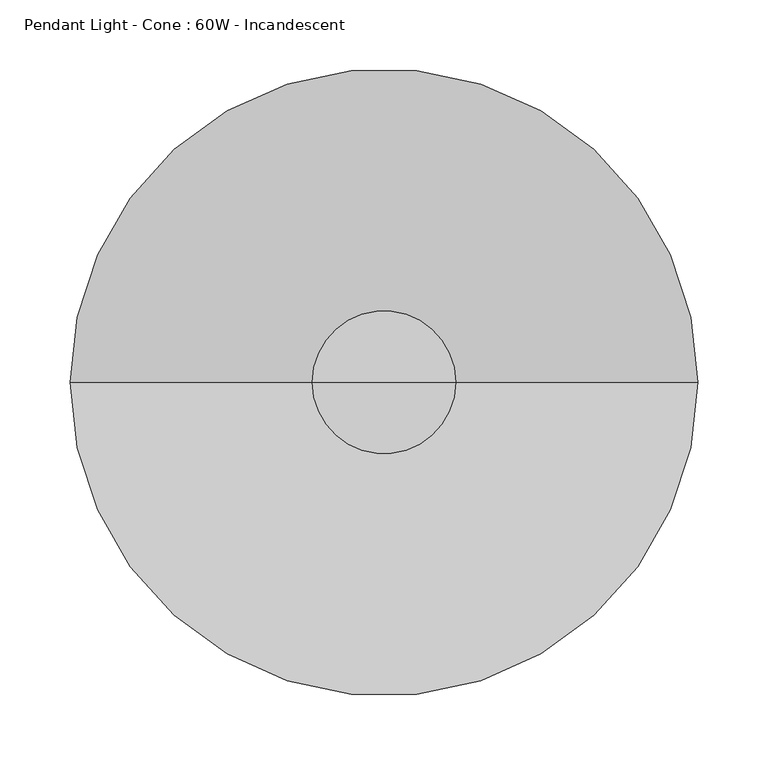
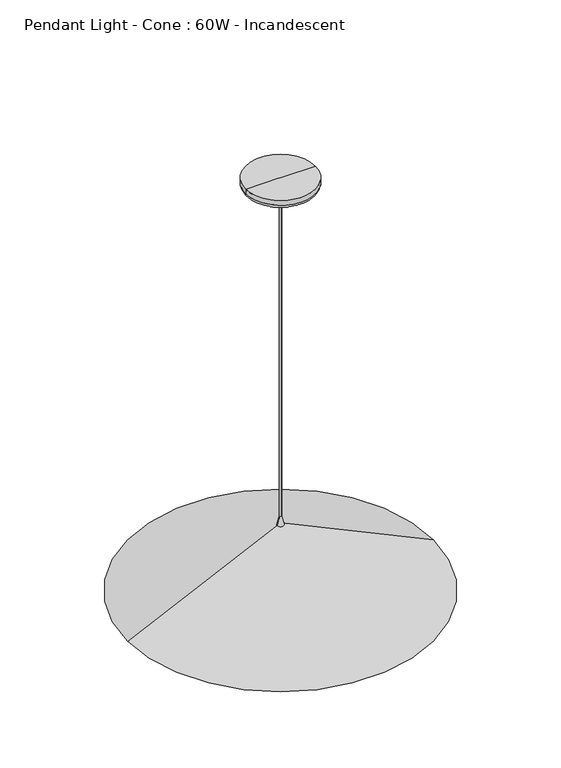
"""IFC4 building model written with IfcOpenShell, lengths in millimetres: light fixture geometry, Pendant Light - Cone : 60W - Incandescent."""

from ifc_helpers import new_model, si_unit, point, frame, origin, place, context, project, spatial, polyline, circle_curve, ellipse_curve, trimmed, source, transform, mapped, element, save
from ifc_brep_helpers import plane_surface, cylinder_surface, revolved_surface, advanced_brep


def pendant_light_cone_60w_incandescent_3ea59d25(model_context):
    return source(origin(), model_context, "Body", "AdvancedBrep", [
        advanced_brep(
        [(4.8667098, 0.0, -533.3999938), (-4.8667098, 0.0, -533.3999938), (-1.463755, 0.0, -520.6999938), (1.463755, 0.0, -520.6999938), (0.0, 0.0, -533.3999938), (0.0, 0.0, -520.6999938)],
        [
            (0, 1, circle_curve(frame((0.0, 0.0, -533.3999938), z_axis=(0.0, 0.0, 1.0), x_axis=(-1.0, 0.0, 0.0)), 4.8667098)),
            (1, 2),
            (2, 3, circle_curve(frame((0.0, 0.0, -520.6999938), z_axis=(0.0, 0.0, -1.0), x_axis=(-1.0, 0.0, 0.0)), 1.463755)),
            (3, 0),
            (1, 0, circle_curve(frame((0.0, 0.0, -533.3999938), z_axis=(0.0, 0.0, 1.0), x_axis=(-1.0, 0.0, 0.0)), 4.8667098)),
            (3, 2, circle_curve(frame((0.0, 0.0, -520.6999938), z_axis=(0.0, 0.0, -1.0), x_axis=(-1.0, 0.0, 0.0)), 1.463755)),
            (4, 1),
            (0, 4),
            (2, 5),
            (5, 3),
        ],
        [
            revolved_surface(polyline([(-1.463755, 0.0, -520.6999938), (-4.8667098, 0.0, -533.3999938)]), (0.0, 0.0, -546.0999938), (0.0, 0.0, -1.0)),
            plane_surface(frame((0.0, 0.0, -533.3999938), z_axis=(0.0, 0.0, -1.0), x_axis=(-1.0, 0.0, 0.0))),
            plane_surface(frame((0.0, 0.0, -520.6999938), z_axis=(0.0, 0.0, 1.0), x_axis=(-1.0, 0.0, 0.0))),
        ],
        [
            (0, [[1, 2, 3, 4]]),
            (0, [[5, -4, 6, -2]]),
            (1, [[7, -1, 8]]),
            (1, [[-8, -5, -7]]),
            (2, [[-3, 9, 10]]),
            (2, [[-6, -10, -9]]),
        ],
    ),
        advanced_brep(
        [(0.8577769, 0.0, -531.5285871), (-0.8577769, 0.0, -531.5285871), (-0.0530894, 0.0, -531.5285871), (0.0530894, 0.0, -531.5285871), (222.514534, 0.0, -634.9999938), (-222.514534, 0.0, -634.9999938), (221.7098465, 0.0, -634.9999938), (-221.7098465, 0.0, -634.9999938)],
        [
            (0, 1, circle_curve(frame((0.0, 0.0, -531.5285871), z_axis=(0.0, 0.0, 1.0), x_axis=(-1.0, 0.0, 0.0)), 0.8577769)),
            (1, 2),
            (2, 3, circle_curve(frame((0.0, 0.0, -531.5285871), z_axis=(0.0, 0.0, -1.0), x_axis=(-1.0, 0.0, 0.0)), 0.0530894)),
            (3, 0),
            (1, 0, circle_curve(frame((0.0, 0.0, -531.5285871), z_axis=(0.0, 0.0, 1.0), x_axis=(-1.0, 0.0, 0.0)), 0.8577769)),
            (3, 2, circle_curve(frame((0.0, 0.0, -531.5285871), z_axis=(0.0, 0.0, -1.0), x_axis=(-1.0, 0.0, 0.0)), 0.0530894)),
            (4, 5, circle_curve(frame((0.0, 0.0, -634.9999938), z_axis=(0.0, 0.0, 1.0), x_axis=(-1.0, 0.0, 0.0)), 222.514534)),
            (5, 1),
            (0, 4),
            (5, 4, circle_curve(frame((0.0, 0.0, -634.9999938), z_axis=(0.0, 0.0, 1.0), x_axis=(-1.0, 0.0, 0.0)), 222.514534)),
            (6, 7, circle_curve(frame((0.0, 0.0, -634.9999938), z_axis=(0.0, 0.0, 1.0), x_axis=(-1.0, 0.0, 0.0)), 221.7098465)),
            (7, 5),
            (4, 6),
            (7, 6, circle_curve(frame((0.0, 0.0, -634.9999938), z_axis=(0.0, 0.0, 1.0), x_axis=(-1.0, 0.0, 0.0)), 221.7098465)),
            (2, 7),
            (6, 3),
        ],
        [
            plane_surface(frame((0.0, 0.0, -531.5285871), z_axis=(0.0, 0.0, 1.0), x_axis=(-1.0, 0.0, 0.0))),
            revolved_surface(polyline([(-0.8577769, 0.0, -531.5285871), (-222.514534, 0.0, -634.9999938)]), (0.0, 0.0, -577.8499938), (0.0, 0.0, -1.0)),
            plane_surface(frame((0.0, 0.0, -634.9999938), z_axis=(0.0, 0.0, -1.0), x_axis=(-1.0, 0.0, 0.0))),
            revolved_surface(polyline([(-221.7098465, 0.0, -634.9999938), (-0.0530894, 0.0, -531.5285871)]), (0.0, 0.0, -577.8499938), (0.0, 0.0, -1.0)),
        ],
        [
            (0, [[1, 2, 3, 4]]),
            (0, [[5, -4, 6, -2]]),
            (1, [[7, 8, -1, 9]]),
            (1, [[10, -9, -5, -8]]),
            (2, [[11, 12, -7, 13]]),
            (2, [[14, -13, -10, -12]]),
            (3, [[-3, 15, -11, 16]]),
            (3, [[-6, -16, -14, -15]]),
        ],
    ),
        advanced_brep(
        [(50.8, 0.0, -6.9824281), (-50.8, 0.0, -6.9824281), (-50.8, 0.0, 6.2e-06), (50.8, 0.0, 6.2e-06), (45.1137557, 0.0, -13.2976421), (-45.1137557, 0.0, -13.2976421), (1.5875, 0.0, -17.872436), (0.0, 1.5875, -17.872436), (-1.5875, 0.0, -17.872436), (0.0, -1.5875, -17.872436), (-1.5875, 0.0, 6.2e-06), (0.0, 0.0, 6.2e-06), (1.5875, 0.0, 6.2e-06), (0.0, 1.5875, -533.3999938), (0.0, -1.5875, -533.3999938)],
        [
            (0, 1, circle_curve(frame((0.0, 0.0, -6.9824281), z_axis=(0.0, 0.0, 1.0), x_axis=(-1.0, 0.0, 0.0)), 50.8)),
            (1, 2),
            (2, 3, circle_curve(frame((0.0, 0.0, 6.2e-06), z_axis=(0.0, 0.0, -1.0), x_axis=(-1.0, 0.0, 0.0)), 50.8)),
            (3, 0),
            (1, 0, circle_curve(frame((0.0, 0.0, -6.9824281), z_axis=(0.0, 0.0, 1.0), x_axis=(-1.0, 0.0, 0.0)), 50.8)),
            (3, 2, circle_curve(frame((0.0, 0.0, 6.2e-06), z_axis=(0.0, 0.0, -1.0), x_axis=(-1.0, 0.0, 0.0)), 50.8)),
            (0, 4, circle_curve(frame((44.45, 0.0, -6.9824281), z_axis=(0.0, 1.0, 0.0), x_axis=(-1.0, 0.0, 0.0)), 6.35)),
            (4, 5, circle_curve(frame((0.0, 0.0, -13.2976421), z_axis=(0.0, 0.0, 1.0), x_axis=(-1.0, 0.0, 0.0)), 45.1137557)),
            (5, 1, circle_curve(frame((-44.45, 0.0, -6.9824281), z_axis=(0.0, 1.0, 0.0), x_axis=(1.0, 0.0, 0.0)), 6.35)),
            (5, 4, circle_curve(frame((0.0, 0.0, -13.2976421), z_axis=(0.0, 0.0, 1.0), x_axis=(-1.0, 0.0, 0.0)), 45.1137557)),
            (4, 6),
            (6, 7, circle_curve(frame((0.0, 0.0, -17.872436), z_axis=(0.0, 0.0, 1.0), x_axis=(-1.0, 0.0, 0.0)), 1.5875)),
            (7, 8, circle_curve(frame((0.0, 0.0, -17.872436), z_axis=(0.0, 0.0, 1.0), x_axis=(-1.0, 0.0, 0.0)), 1.5875)),
            (8, 5),
            (8, 9, circle_curve(frame((0.0, 0.0, -17.872436), z_axis=(0.0, 0.0, 1.0), x_axis=(-1.0, 0.0, 0.0)), 1.5875)),
            (9, 6, circle_curve(frame((0.0, 0.0, -17.872436), z_axis=(0.0, 0.0, 1.0), x_axis=(-1.0, 0.0, 0.0)), 1.5875)),
            (2, 10),
            (10, 11),
            (11, 12),
            (12, 3),
            (13, 14, circle_curve(frame((0.0, 0.0, -533.3999938), z_axis=(0.0, 0.0, -1.0), x_axis=(0.0, -1.0, 0.0)), 1.5875)),
            (14, 13, circle_curve(frame((0.0, 0.0, -533.3999938), z_axis=(0.0, 0.0, -1.0), x_axis=(0.0, -1.0, 0.0)), 1.5875)),
            (14, 9),
            (7, 13),
        ],
        [
            cylinder_surface(frame((0.0, 0.0, 76.2000062), z_axis=(0.0, 0.0, -1.0), x_axis=(-1.0, 0.0, 0.0)), 50.8),
            revolved_surface(trimmed(ellipse_curve(frame((-44.45, 0.0, -6.9824281), z_axis=(0.0, -1.0, 0.0), x_axis=(1.0, 0.0, 0.0)), 6.35, 6.35), [point((-50.8, 0.0, -6.9824281))], [point((-45.1137557, 0.0, -13.2976421))], True, "CARTESIAN"), (0.0, 0.0, 76.2000062), (0.0, 0.0, -1.0)),
            revolved_surface(polyline([(-45.1137557, 0.0, -13.2976421), (0.0, 0.0, -18.0392889)]), (0.0, 0.0, 76.2000062), (0.0, 0.0, -1.0)),
            plane_surface(frame((0.0, 0.0, 6.2e-06), z_axis=(0.0, 0.0, 1.0), x_axis=(-1.0, 0.0, 0.0))),
            plane_surface(frame((0.0, -1.5875, -533.3999938), z_axis=(0.0, 0.0, -1.0), x_axis=(-1.0, 0.0, 0.0))),
            cylinder_surface(frame((0.0, 0.0, -533.3999938), z_axis=(0.0, 0.0, 1.0), x_axis=(0.0, -1.0, 0.0)), 1.5875),
        ],
        [
            (0, [[1, 2, 3, 4]]),
            (0, [[-2, 5, -4, 6]]),
            (1, [[-1, 7, 8, 9]]),
            (1, [[-5, -9, 10, -7]]),
            (2, [[-8, 11, 12, 13, 14]]),
            (2, [[-10, -14, 15, 16, -11]]),
            (3, [[-3, 17, 18, 19, 20]]),
            (3, [[-6, -20, -19, -18, -17]]),
            (4, [[21, 22]]),
            (5, [[-22, 23, -15, -13, 24]]),
            (5, [[-21, -24, -12, -16, -23]]),
        ],
    ),
    ])


if __name__ == "__main__":
    model = new_model("IFC4")
    model_context = context("Model", 3, world=origin())
    ifc_project = project(units=[si_unit("LENGTHUNIT", "METRE", prefix="MILLI")], contexts=[model_context])
    site = spatial("IfcSite", under=ifc_project)
    building = spatial("IfcBuilding", under=site)
    placement = place(None, origin())
    pendant_light_cone_60w_incandescent_shape = pendant_light_cone_60w_incandescent_3ea59d25(model_context)
    element("IfcLightFixture", 1, ObjectType="Pendant Light - Cone : 60W - Incandescent", at=placement, inside=building, context=model_context, shape_type="MappedRepresentation", body=[
        mapped(pendant_light_cone_60w_incandescent_shape, transform((0.0, 0.0, 0.0), x_axis=(1.0, 0.0, 0.0), y_axis=(0.0, 1.0, 0.0), z_axis=(0.0, 0.0, 1.0))),
    ])
    save(model, "model.ifc")
